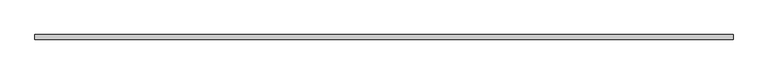
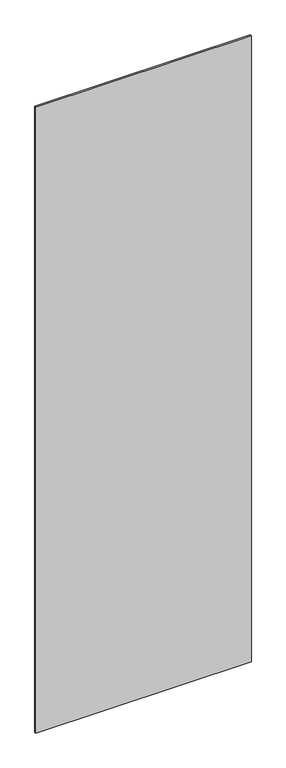
"""IFC4 building model written with IfcOpenShell, lengths in millimetres: plate geometry."""

from ifc_helpers import new_model, si_unit, origin, origin_with_axes, place, context, project, spatial, polyline, outline, extrude, source, transform, mapped, element, save


def plate_a8c97d6a(model_context):
    return source(origin(), model_context, "Body", "SweptSolid", [
        extrude(outline(polyline([(710.9635004, -5.0), (-710.9635004, -5.0), (-710.9635004, 5.0), (710.9635004, 5.0), (710.9635004, -5.0)])), origin_with_axes(), (0.0, 0.0, 1.0), 4360.0),
    ])


if __name__ == "__main__":
    model = new_model("IFC4")
    model_context = context("Model", 3, world=origin())
    ifc_project = project(units=[si_unit("LENGTHUNIT", "METRE", prefix="MILLI")], contexts=[model_context])
    site = spatial("IfcSite", under=ifc_project)
    building = spatial("IfcBuilding", under=site)
    placement = place(None, origin())
    plate_shape = plate_a8c97d6a(model_context)
    element("IfcPlate", 1, at=placement, inside=building, context=model_context, shape_type="MappedRepresentation", body=[
        mapped(plate_shape, transform((0.0, 0.0, 0.0), x_axis=(1.0, 0.0, 0.0), y_axis=(0.0, 1.0, 0.0), z_axis=(0.0, 0.0, 1.0))),
    ])
    save(model, "model.ifc")
